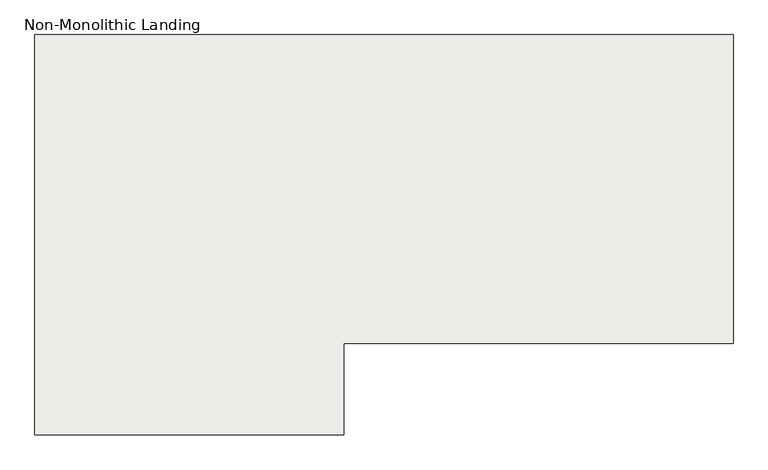
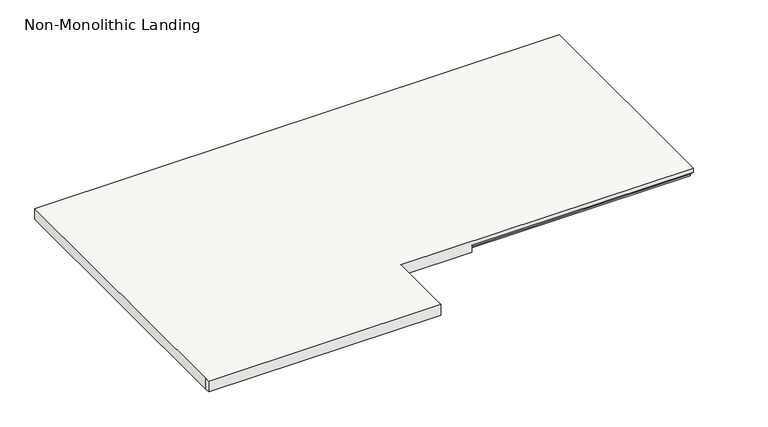
"""IFC4 building model written with IfcOpenShell, lengths in millimetres: slab geometry, Non-Monolithic Landing."""

from ifc_helpers import new_model, si_unit, origin, place, context, project, spatial, faceted_brep, source, transform, mapped, element, save


def non_monolithic_landing_93420070(model_context):
    return source(origin(), model_context, "Body", "Brep", [
        faceted_brep([(8505.8069555, 6447.7720312, 41692.2857143), (6181.7069555, 6447.7720312, 41692.2857143), (6181.7069555, 5140.0460566, 41692.2857143), (6181.7069555, 5114.6460566, 41692.2857143), (7210.0329301, 5114.6460566, 41692.2857143), (7210.0329301, 5140.0460566, 41692.2857143), (7210.0329301, 5419.4460566, 41692.2857143), (8505.8069555, 5419.4460566, 41692.2857143), (7524.3171784, 5444.8460566, 41641.4857143), (7524.3171784, 5419.4460566, 41641.4857143), (7210.0329301, 5419.4460566, 41641.4857143), (7210.0329301, 5140.0460566, 41641.4857143), (7210.0329301, 5114.6460566, 41641.4857143), (6181.7069555, 5114.6460566, 41641.4857143), (6181.7069555, 5140.0460566, 41641.4857143), (6181.7069555, 6447.7720312, 41641.4857143), (8505.8069555, 6447.7720312, 41641.4857143), (8505.8069555, 5444.8460566, 41641.4857143), (7524.3171784, 5444.8460566, 41647.8357143), (7524.3171784, 5419.4460566, 41673.2357143), (8505.8069555, 5444.8460566, 41647.8357143), (8505.8069555, 5419.4460566, 41673.2357143)], [[[0, 1, 2, 3, 4, 5, 6, 7]], [[8, 9, 10, 11, 12, 13, 14, 15, 16, 17]], [[9, 8, 18, 19]], [[8, 17, 20, 18]], [[0, 7, 21, 20, 17, 16]], [[1, 0, 16, 15]], [[2, 1, 15, 14]], [[3, 2, 14, 13]], [[4, 3, 13, 12]], [[5, 4, 12, 11]], [[6, 5, 11, 10]], [[7, 6, 10, 9, 19, 21]], [[20, 21, 19, 18]]]),
    ])


if __name__ == "__main__":
    model = new_model("IFC4")
    model_context = context("Model", 3, world=origin())
    ifc_project = project(units=[si_unit("LENGTHUNIT", "METRE", prefix="MILLI")], contexts=[model_context])
    site = spatial("IfcSite", under=ifc_project)
    building = spatial("IfcBuilding", under=site)
    placement = place(None, origin())
    non_monolithic_landing_shape = non_monolithic_landing_93420070(model_context)
    element("IfcSlab", 1, ObjectType="Non-Monolithic Landing", at=placement, inside=building, context=model_context, shape_type="MappedRepresentation", body=[
        mapped(non_monolithic_landing_shape, transform((0.0, 0.0, 0.0), x_axis=(1.0, 0.0, 0.0), y_axis=(0.0, 1.0, 0.0), z_axis=(0.0, 0.0, 1.0))),
    ])
    save(model, "model.ifc")
